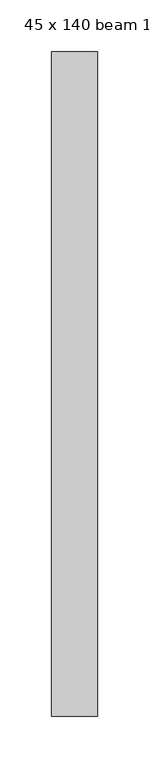
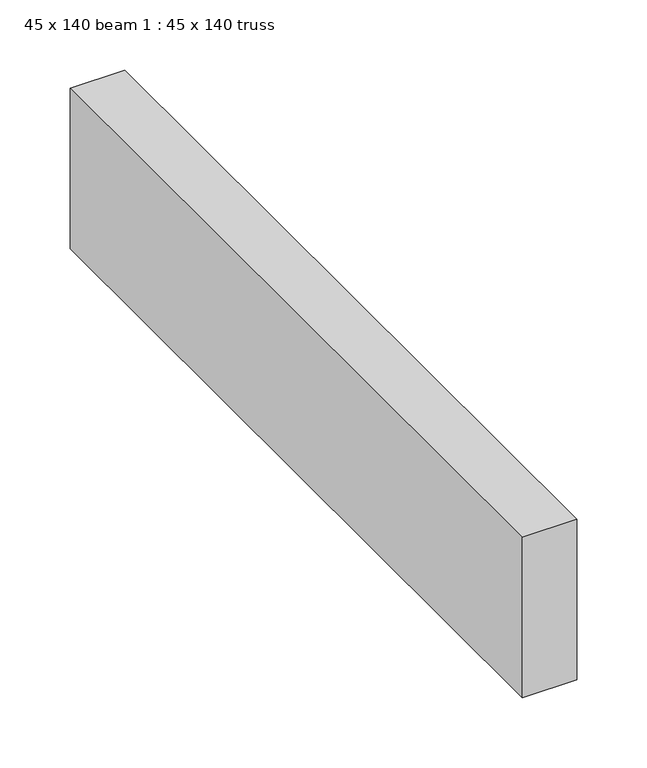
"""IFC4 building model written with IfcOpenShell, lengths in millimetres: proxy geometry, 45 x 140 beam 1 : 45 x 140 truss."""

from ifc_helpers import new_model, si_unit, frame, origin, place, context, project, spatial, polyline, outline, extrude, source, transform, mapped, element, save


def proxy_45_x_140_beam_1_45_x_140_truss_74f59729(model_context):
    return source(origin(), model_context, "Body", "SweptSolid", [
        extrude(outline(polyline([(-11599.3841468, -1338.3711554), (-11644.3841468, -1338.3711554), (-11644.3841468, -693.3711554), (-11599.3841468, -693.3711554), (-11599.3841468, -1338.3711554)])), frame((0.0, 0.0, 3644.2452806), z_axis=(0.0, 0.0, 1.0), x_axis=(1.0, 0.0, 0.0)), (0.0, 0.0, 1.0), 140.0),
    ])


if __name__ == "__main__":
    model = new_model("IFC4")
    model_context = context("Model", 3, world=origin())
    ifc_project = project(units=[si_unit("LENGTHUNIT", "METRE", prefix="MILLI")], contexts=[model_context])
    site = spatial("IfcSite", under=ifc_project)
    building = spatial("IfcBuilding", under=site)
    placement = place(None, origin())
    proxy_45_x_140_beam_1_45_x_140_truss_shape = proxy_45_x_140_beam_1_45_x_140_truss_74f59729(model_context)
    element("IfcBuildingElementProxy", 1, Name="45 x 140 beam 1 : 45 x 140 truss", ObjectType="45 x 140 beam 1 : 45 x 140 truss", at=placement, inside=building, context=model_context, shape_type="MappedRepresentation", body=[
        mapped(proxy_45_x_140_beam_1_45_x_140_truss_shape, transform((0.0, 0.0, 0.0), x_axis=(1.0, 0.0, 0.0), y_axis=(0.0, 1.0, 0.0), z_axis=(0.0, 0.0, 1.0))),
    ])
    save(model, "model.ifc")
